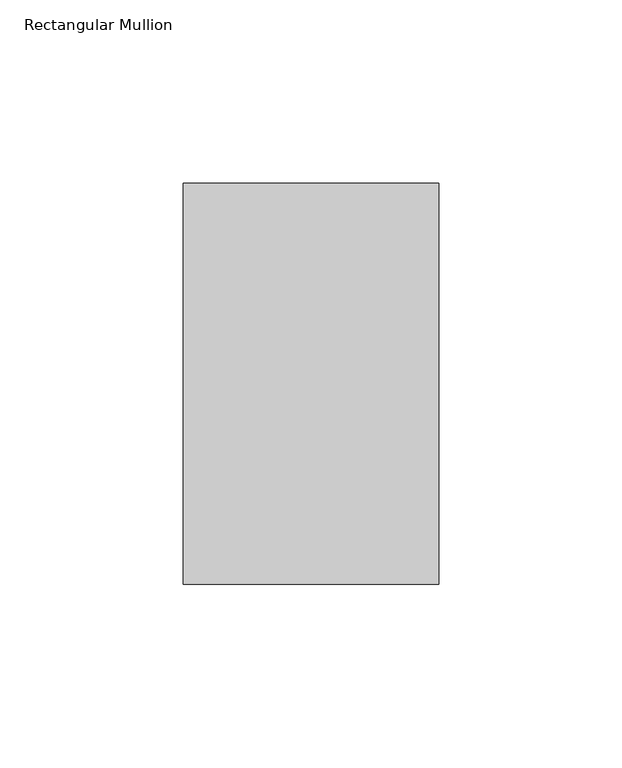
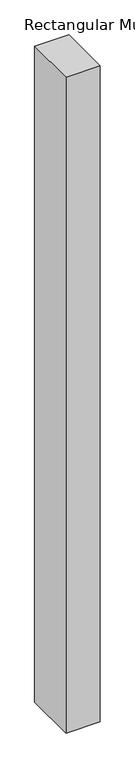
"""IFC4 building model written with IfcOpenShell, lengths in millimetres: member geometry, Rectangular Mullion."""

from ifc_helpers import new_model, si_unit, frame, origin, place, context, project, spatial, polyline, outline, extrude, source, transform, mapped, element, save


def rectangular_mullion_b3d13164(model_context):
    return source(origin(), model_context, "Body", "SweptSolid", [
        extrude(outline(polyline([(0.0, -74.6125), (-69.85, -74.6125), (-69.85, 34.925), (0.0, 34.925), (0.0, -74.6125)])), frame((0.0, 0.0, -1408.90625), z_axis=(0.0, 0.0, 1.0), x_axis=(1.0, 0.0, 0.0)), (0.0, 0.0, 1.0), 1408.90625),
    ])


if __name__ == "__main__":
    model = new_model("IFC4")
    model_context = context("Model", 3, world=origin())
    ifc_project = project(units=[si_unit("LENGTHUNIT", "METRE", prefix="MILLI")], contexts=[model_context])
    site = spatial("IfcSite", under=ifc_project)
    building = spatial("IfcBuilding", under=site)
    placement = place(None, origin())
    rectangular_mullion_shape = rectangular_mullion_b3d13164(model_context)
    element("IfcMember", 1, ObjectType="Rectangular Mullion", at=placement, inside=building, context=model_context, shape_type="MappedRepresentation", body=[
        mapped(rectangular_mullion_shape, transform((0.0, 0.0, 0.0), x_axis=(1.0, 0.0, 0.0), y_axis=(0.0, 1.0, 0.0), z_axis=(0.0, 0.0, 1.0))),
    ])
    save(model, "model.ifc")
